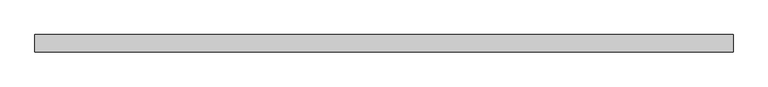
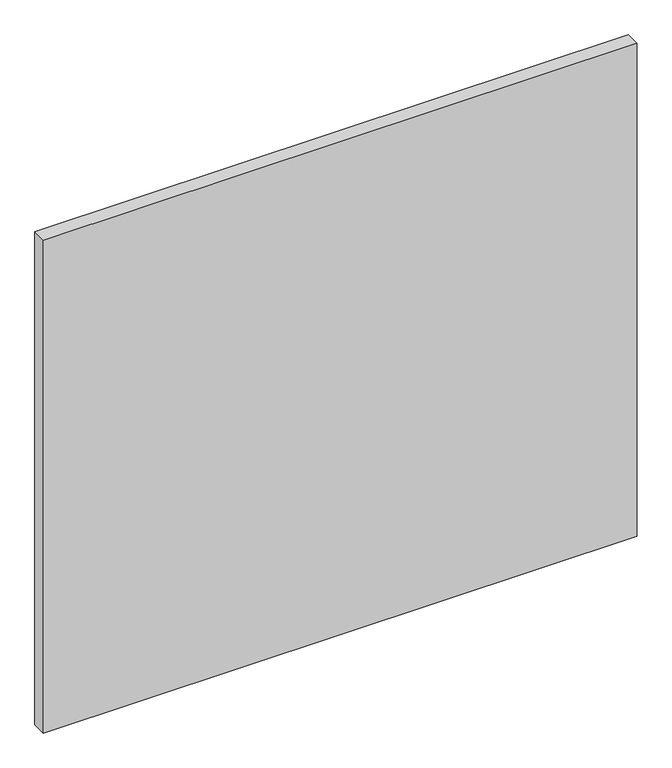
"""IFC4 building model written with IfcOpenShell, lengths in millimetres: plate geometry."""

from ifc_helpers import new_model, si_unit, origin, origin_with_axes, place, context, project, spatial, polyline, outline, extrude, source, transform, mapped, element, save


def plate_09cc5ac9(model_context):
    return source(origin(), model_context, "Body", "SweptSolid", [
        extrude(outline(polyline([(708.8125, -17.5), (-708.8125, -17.5), (-708.8125, 17.5), (708.8125, 17.5), (708.8125, -17.5)])), origin_with_axes(), (0.0, 0.0, 1.0), 1243.8125),
    ])


if __name__ == "__main__":
    model = new_model("IFC4")
    model_context = context("Model", 3, world=origin())
    ifc_project = project(units=[si_unit("LENGTHUNIT", "METRE", prefix="MILLI")], contexts=[model_context])
    site = spatial("IfcSite", under=ifc_project)
    building = spatial("IfcBuilding", under=site)
    placement = place(None, origin())
    plate_shape = plate_09cc5ac9(model_context)
    element("IfcPlate", 1, at=placement, inside=building, context=model_context, shape_type="MappedRepresentation", body=[
        mapped(plate_shape, transform((0.0, 0.0, 0.0), x_axis=(1.0, 0.0, 0.0), y_axis=(0.0, 1.0, 0.0), z_axis=(0.0, 0.0, 1.0))),
    ])
    save(model, "model.ifc")
